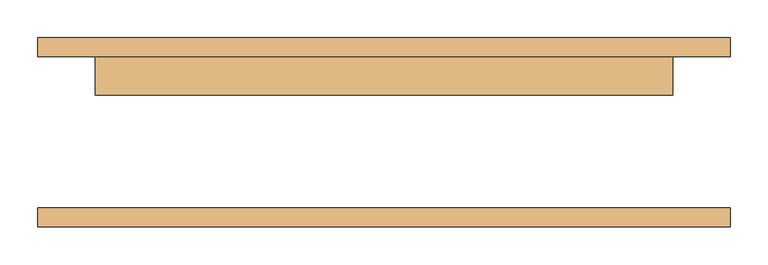
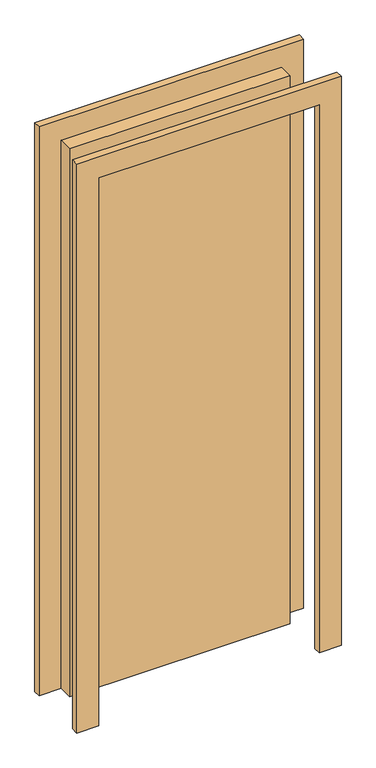
"""IFC4 building model written with IfcOpenShell, lengths in millimetres: door geometry."""

from ifc_helpers import new_model, si_unit, frame, origin, origin_with_axes, place, context, project, spatial, polyline, outline, extrude, source, transform, mapped, element, save


def door_004890fd(model_context):
    return source(origin(), model_context, "Body", "SweptSolid", [
        extrude(outline(polyline([(2076.0, -457.0), (0.0, -457.0), (0.0, -381.0), (2000.0, -381.0), (2000.0, 381.0), (0.0, 381.0), (0.0, 457.0), (2076.0, 457.0), (2076.0, -457.0)])), frame((0.0, 100.0, 0.0), z_axis=(0.0, 1.0, 0.0), x_axis=(0.0, 0.0, 1.0)), (0.0, 0.0, 1.0), 25.0),
        extrude(outline(polyline([(2076.0, 457.0), (2076.0, -457.0), (0.0, -457.0), (0.0, -381.0), (2000.0, -381.0), (2000.0, 381.0), (0.0, 381.0), (0.0, 457.0), (2076.0, 457.0)])), frame((0.0, -125.0, 0.0), z_axis=(0.0, 1.0, 0.0), x_axis=(0.0, 0.0, 1.0)), (0.0, 0.0, 1.0), 25.0),
        extrude(outline(polyline([(381.0, 49.0), (-381.0, 49.0), (-381.0, 100.0), (381.0, 100.0), (381.0, 49.0)])), origin_with_axes(), (0.0, 0.0, 1.0), 2000.0),
    ])


if __name__ == "__main__":
    model = new_model("IFC4")
    model_context = context("Model", 3, world=origin())
    ifc_project = project(units=[si_unit("LENGTHUNIT", "METRE", prefix="MILLI")], contexts=[model_context])
    site = spatial("IfcSite", under=ifc_project)
    building = spatial("IfcBuilding", under=site)
    placement = place(None, origin())
    door_shape = door_004890fd(model_context)
    element("IfcDoor", 1, at=placement, inside=building, context=model_context, shape_type="MappedRepresentation", body=[
        mapped(door_shape, transform((0.0, 0.0, 0.0), x_axis=(1.0, 0.0, 0.0), y_axis=(0.0, 1.0, 0.0), z_axis=(0.0, 0.0, 1.0))),
    ])
    save(model, "model.ifc")
